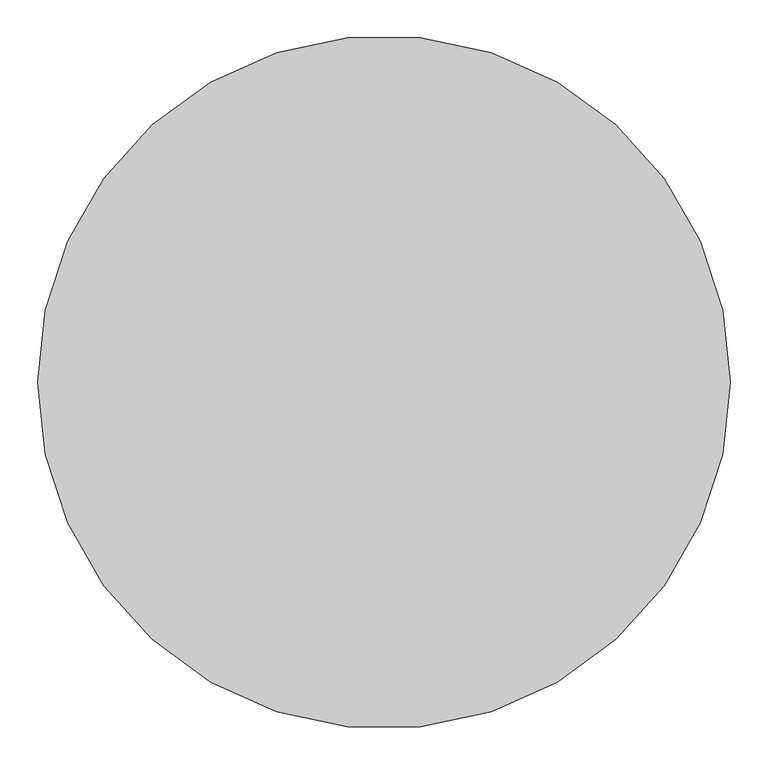
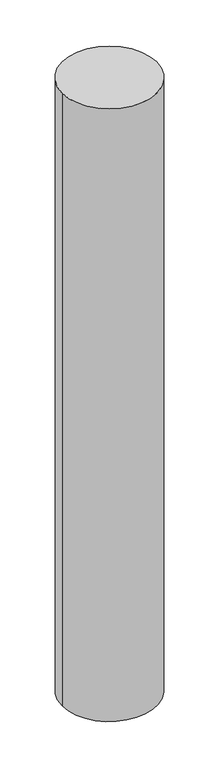
"""IFC4 building model written with IfcOpenShell, lengths in millimetres: proxy geometry."""

from ifc_helpers import new_model, si_unit, point, frame, origin, origin_2d, place, context, project, spatial, circle_curve, trimmed, segment, composite_curve, outline, extrude, source, transform, mapped, element, save


def generic_models_9d11f65d(model_context):
    return source(origin(), model_context, "Body", "SweptSolid", [
        extrude(outline(composite_curve([segment(trimmed(circle_curve(origin_2d(), 460.0), [point((-460.0, 0.0))], [point((460.0, 0.0))], False, "CARTESIAN"), True, "CONTINUOUS"), segment(trimmed(circle_curve(origin_2d(), 460.0), [point((460.0, 0.0))], [point((-460.0, 0.0))], False, "CARTESIAN"), True, "CONTINUOUS")], self_intersect=False)), frame((0.0, 0.0, -6300.0), z_axis=(0.0, 0.0, 1.0), x_axis=(1.0, 0.0, 0.0)), (0.0, 0.0, 1.0), 6300.0),
    ])


if __name__ == "__main__":
    model = new_model("IFC4")
    model_context = context("Model", 3, world=origin())
    ifc_project = project(units=[si_unit("LENGTHUNIT", "METRE", prefix="MILLI")], contexts=[model_context])
    site = spatial("IfcSite", under=ifc_project)
    building = spatial("IfcBuilding", under=site)
    placement = place(None, origin())
    generic_models_shape = generic_models_9d11f65d(model_context)
    element("IfcBuildingElementProxy", 1, Name="Generic Models", at=placement, inside=building, context=model_context, shape_type="MappedRepresentation", body=[
        mapped(generic_models_shape, transform((0.0, 0.0, 0.0), x_axis=(1.0, 0.0, 0.0), y_axis=(0.0, 1.0, 0.0), z_axis=(0.0, 0.0, 1.0))),
    ])
    save(model, "model.ifc")
